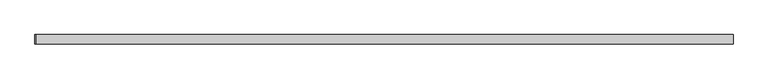
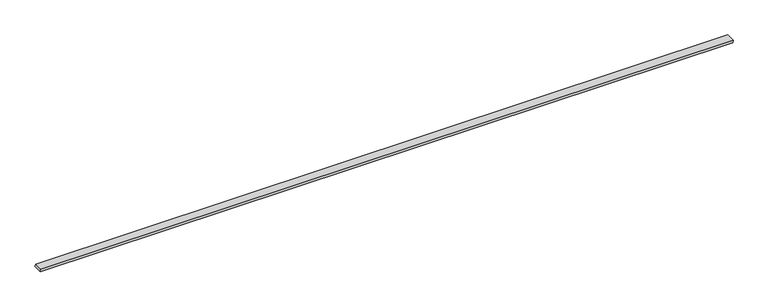
"""IFC4 building model written with IfcOpenShell, lengths in millimetres: plate geometry."""

from ifc_helpers import new_model, si_unit, frame, origin, place, context, project, spatial, polyline, outline, extrude, source, transform, mapped, element, save


def plate_ce7c8590(model_context):
    return source(origin(), model_context, "Body", "SweptSolid", [
        extrude(outline(polyline([(0.0, -921.8170798), (0.0, 920.2864939), (5.7122244, 921.8170798), (5.7122244, -920.141996), (0.0, -921.8170798)])), frame((0.0, 24.5, 0.0), z_axis=(0.0, 1.0, 0.0), x_axis=(0.0, 0.0, 1.0)), (0.0, 0.0, 1.0), 25.0),
    ])


if __name__ == "__main__":
    model = new_model("IFC4")
    model_context = context("Model", 3, world=origin())
    ifc_project = project(units=[si_unit("LENGTHUNIT", "METRE", prefix="MILLI")], contexts=[model_context])
    site = spatial("IfcSite", under=ifc_project)
    building = spatial("IfcBuilding", under=site)
    placement = place(None, origin())
    plate_shape = plate_ce7c8590(model_context)
    element("IfcPlate", 1, at=placement, inside=building, context=model_context, shape_type="MappedRepresentation", body=[
        mapped(plate_shape, transform((0.0, 0.0, 0.0), x_axis=(1.0, 0.0, 0.0), y_axis=(0.0, 1.0, 0.0), z_axis=(0.0, 0.0, 1.0))),
    ])
    save(model, "model.ifc")
